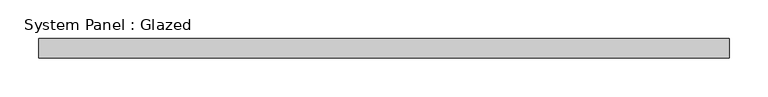
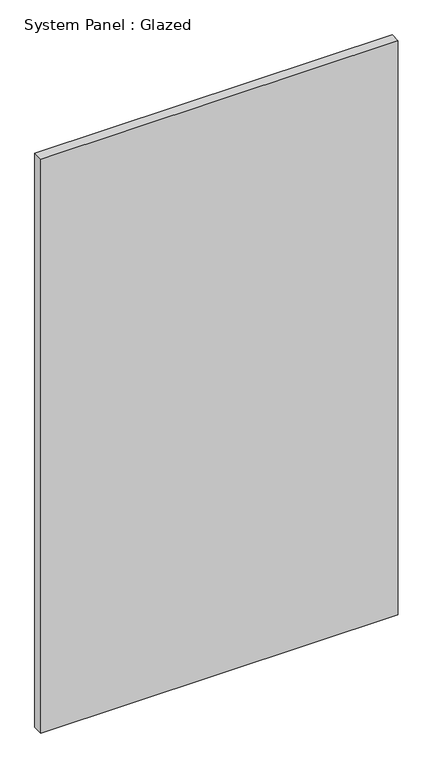
"""IFC4 building model written with IfcOpenShell, lengths in millimetres: plate geometry, System Panel : Glazed."""

from ifc_helpers import new_model, si_unit, origin, origin_with_axes, place, context, project, spatial, polyline, outline, extrude, source, transform, mapped, element, save


def system_panel_glazed_b31963b1(model_context):
    return source(origin(), model_context, "Body", "SweptSolid", [
        extrude(outline(polyline([(445.303131, -49.5), (-445.303131, -49.5), (-445.303131, -24.5), (445.303131, -24.5), (445.303131, -49.5)])), origin_with_axes(), (0.0, 0.0, 1.0), 1510.6350987),
    ])


if __name__ == "__main__":
    model = new_model("IFC4")
    model_context = context("Model", 3, world=origin())
    ifc_project = project(units=[si_unit("LENGTHUNIT", "METRE", prefix="MILLI")], contexts=[model_context])
    site = spatial("IfcSite", under=ifc_project)
    building = spatial("IfcBuilding", under=site)
    placement = place(None, origin())
    system_panel_glazed_shape = system_panel_glazed_b31963b1(model_context)
    element("IfcPlate", 1, ObjectType="System Panel : Glazed", at=placement, inside=building, context=model_context, shape_type="MappedRepresentation", body=[
        mapped(system_panel_glazed_shape, transform((0.0, 0.0, 0.0), x_axis=(1.0, 0.0, 0.0), y_axis=(0.0, 1.0, 0.0), z_axis=(0.0, 0.0, 1.0))),
    ])
    save(model, "model.ifc")
